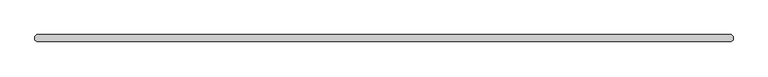
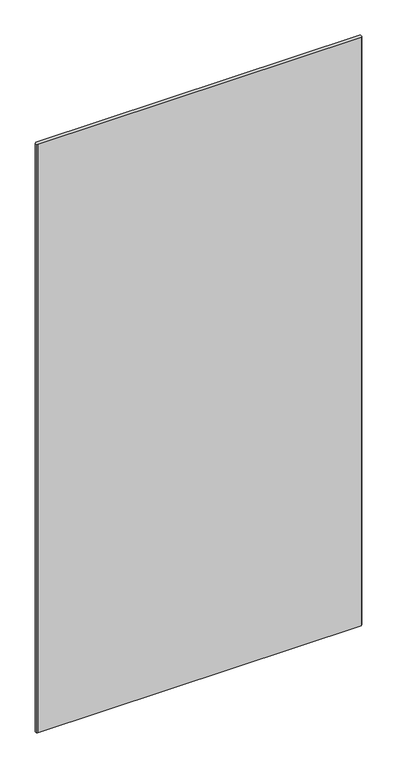
"""IFC4 building model written with IfcOpenShell, lengths in millimetres: plate geometry."""

from ifc_helpers import new_model, si_unit, origin, origin_with_axes, place, context, project, spatial, polyline, outline, extrude, source, transform, mapped, element, save


def plate_097741ae(model_context):
    return source(origin(), model_context, "Body", "SweptSolid", [
        extrude(outline(polyline([(631.03125, -6.35), (-631.03125, -6.35), (-634.20625, -3.175), (-634.20625, 3.175), (-631.03125, 6.35), (631.03125, 6.35), (634.20625, 3.175), (634.20625, -3.175), (631.03125, -6.35)])), origin_with_axes(), (0.0, 0.0, 1.0), 2427.1914267),
    ])


if __name__ == "__main__":
    model = new_model("IFC4")
    model_context = context("Model", 3, world=origin())
    ifc_project = project(units=[si_unit("LENGTHUNIT", "METRE", prefix="MILLI")], contexts=[model_context])
    site = spatial("IfcSite", under=ifc_project)
    building = spatial("IfcBuilding", under=site)
    placement = place(None, origin())
    plate_shape = plate_097741ae(model_context)
    element("IfcPlate", 1, at=placement, inside=building, context=model_context, shape_type="MappedRepresentation", body=[
        mapped(plate_shape, transform((0.0, 0.0, 0.0), x_axis=(1.0, 0.0, 0.0), y_axis=(0.0, 1.0, 0.0), z_axis=(0.0, 0.0, 1.0))),
    ])
    save(model, "model.ifc")
